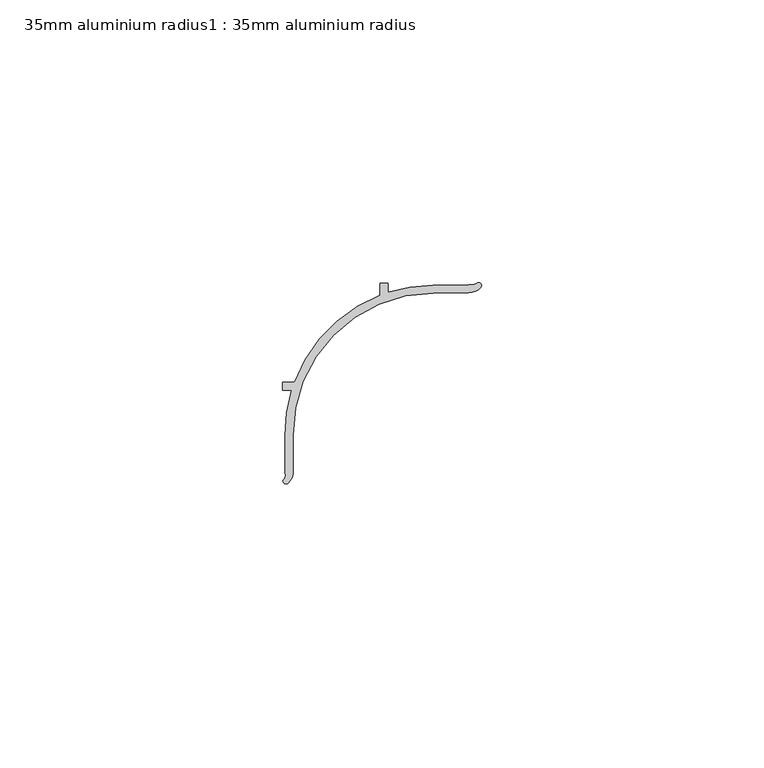
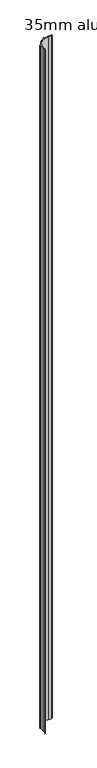
"""IFC4 building model written with IfcOpenShell, lengths in millimetres: proxy geometry, 35mm aluminium radius1 : 35mm aluminium radius."""

from ifc_helpers import new_model, si_unit, point, frame, frame_2d, origin, place, context, project, spatial, polyline, circle_curve, trimmed, segment, composite_curve, outline, extrude, source, transform, mapped, element, save


def proxy_35mm_aluminium_radius1_35mm_aluminium_radius_baca6c5b(model_context):
    return source(origin(), model_context, "Body", "SweptSolid", [
        extrude(outline(composite_curve([segment(trimmed(circle_curve(frame_2d((-4756.356293, 873.7417567)), 1.2042709), [point((-4755.4415715, 872.9584604))], [point((-4755.1827431, 874.0120327))], True, "CARTESIAN"), True, "CONTINUOUS"), segment(polyline([(-4755.1827431, 874.0120327), (-4755.2326978, 880.7202964)]), True, "CONTINUOUS"), segment(trimmed(circle_curve(frame_2d((-4728.8334297, 880.9168847)), 26.4), [point((-4755.2326978, 880.7202964))], [point((-4754.0510007, 888.729318))], False, "CARTESIAN"), True, "CONTINUOUS"), segment(polyline([(-4754.0510007, 888.729318), (-4755.6922589, 888.717096), (-4755.702684, 890.1170572), (-4753.5725627, 890.1329196)]), True, "CONTINUOUS"), segment(trimmed(circle_curve(frame_2d((-4728.8334297, 880.9168847)), 26.4), [point((-4753.5725627, 890.1329196))], [point((-4738.4168736, 905.516023))], False, "CARTESIAN"), True, "CONTINUOUS"), segment(polyline([(-4738.4168736, 905.516023), (-4738.432736, 907.6461443), (-4737.0327748, 907.6565694), (-4737.0205528, 906.0153112)]), True, "CONTINUOUS"), segment(trimmed(circle_curve(frame_2d((-4728.8334297, 880.9168847)), 26.4), [point((-4737.0205528, 906.0153112))], [point((-4729.030018, 907.3161527))], False, "CARTESIAN"), True, "CONTINUOUS"), segment(polyline([(-4729.030018, 907.3161527), (-4722.6839019, 907.3634105)]), True, "CONTINUOUS"), segment(trimmed(circle_curve(frame_2d((-4722.510947, 910.2162293)), 2.8580567), [point((-4722.6839019, 907.3634105))], [point((-4721.2721536, 907.6405975))], True, "CARTESIAN"), True, "CONTINUOUS"), segment(trimmed(circle_curve(frame_2d((-4720.929498, 907.2764723)), 0.5), [point((-4721.2721536, 907.6405975))], [point((-4720.5542735, 906.9460082))], False, "CARTESIAN"), True, "CONTINUOUS"), segment(trimmed(circle_curve(frame_2d((-4722.775231, 908.9627748)), 3.0), [point((-4720.5542735, 906.9460082))], [point((-4722.7528914, 905.962858))], False, "CARTESIAN"), True, "CONTINUOUS"), segment(polyline([(-4722.7528914, 905.962858), (-4729.0195929, 905.9161915)]), True, "CONTINUOUS"), segment(trimmed(circle_curve(frame_2d((-4728.8334297, 880.9168847)), 25.0), [point((-4729.0195929, 905.9161915))], [point((-4753.8327366, 880.7307215))], True, "CARTESIAN"), True, "CONTINUOUS"), segment(polyline([(-4753.8327366, 880.7307215), (-4753.7860702, 874.46402)]), True, "CONTINUOUS"), segment(trimmed(circle_curve(frame_2d((-4756.785987, 874.4416805)), 3.0), [point((-4753.7860702, 874.46402))], [point((-4754.7230909, 872.2635023))], False, "CARTESIAN"), True, "CONTINUOUS"), segment(trimmed(circle_curve(frame_2d((-4755.0723837, 872.6212656)), 0.5), [point((-4754.7230909, 872.2635023))], [point((-4755.4415715, 872.9584604))], False, "CARTESIAN"), True, "CONTINUOUS")], self_intersect=False)), frame((0.0, 0.0, -99.1508636), z_axis=(0.0, 0.0, 1.0), x_axis=(1.0, 0.0, 0.0)), (0.0, 0.0, 1.0), 1500.0),
    ])


if __name__ == "__main__":
    model = new_model("IFC4")
    model_context = context("Model", 3, world=origin())
    ifc_project = project(units=[si_unit("LENGTHUNIT", "METRE", prefix="MILLI")], contexts=[model_context])
    site = spatial("IfcSite", under=ifc_project)
    building = spatial("IfcBuilding", under=site)
    placement = place(None, origin())
    proxy_35mm_aluminium_radius1_35mm_aluminium_radius_shape = proxy_35mm_aluminium_radius1_35mm_aluminium_radius_baca6c5b(model_context)
    element("IfcBuildingElementProxy", 1, Name="35mm aluminium radius1 : 35mm aluminium radius", ObjectType="35mm aluminium radius1 : 35mm aluminium radius", at=placement, inside=building, context=model_context, shape_type="MappedRepresentation", body=[
        mapped(proxy_35mm_aluminium_radius1_35mm_aluminium_radius_shape, transform((0.0, 0.0, 0.0), x_axis=(1.0, 0.0, 0.0), y_axis=(0.0, 1.0, 0.0), z_axis=(0.0, 0.0, 1.0))),
    ])
    save(model, "model.ifc")
